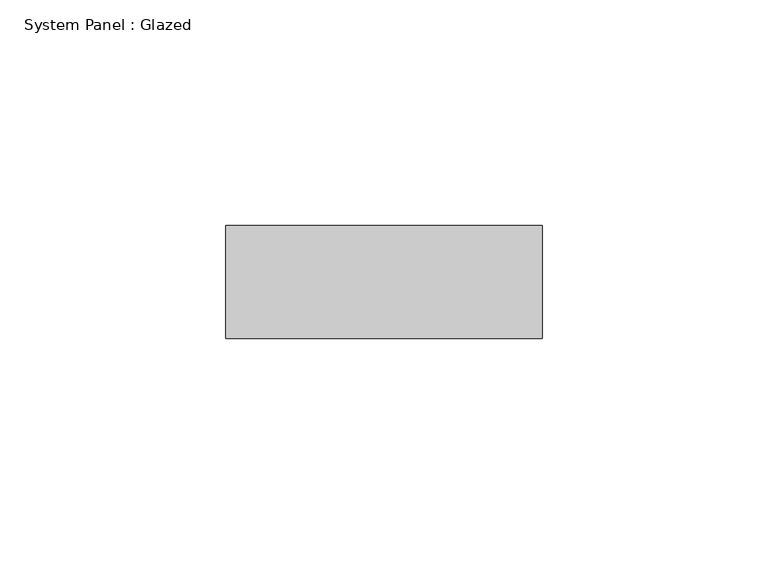
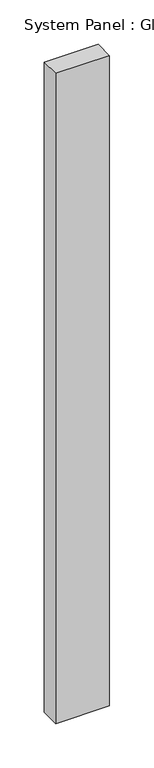
"""IFC4 building model written with IfcOpenShell, lengths in millimetres: plate geometry, System Panel : Glazed."""

from ifc_helpers import new_model, si_unit, origin, origin_with_axes, place, context, project, spatial, polyline, outline, extrude, source, transform, mapped, element, save


def system_panel_glazed_b8cf079b(model_context):
    return source(origin(), model_context, "Body", "SweptSolid", [
        extrude(outline(polyline([(35.0, 24.5), (-35.0, 24.5), (-35.0, 49.5), (35.0, 49.5), (35.0, 24.5)])), origin_with_axes(), (0.0, 0.0, 1.0), 892.6666667),
    ])


if __name__ == "__main__":
    model = new_model("IFC4")
    model_context = context("Model", 3, world=origin())
    ifc_project = project(units=[si_unit("LENGTHUNIT", "METRE", prefix="MILLI")], contexts=[model_context])
    site = spatial("IfcSite", under=ifc_project)
    building = spatial("IfcBuilding", under=site)
    placement = place(None, origin())
    system_panel_glazed_shape = system_panel_glazed_b8cf079b(model_context)
    element("IfcPlate", 1, ObjectType="System Panel : Glazed", at=placement, inside=building, context=model_context, shape_type="MappedRepresentation", body=[
        mapped(system_panel_glazed_shape, transform((0.0, 0.0, 0.0), x_axis=(1.0, 0.0, 0.0), y_axis=(0.0, 1.0, 0.0), z_axis=(0.0, 0.0, 1.0))),
    ])
    save(model, "model.ifc")
